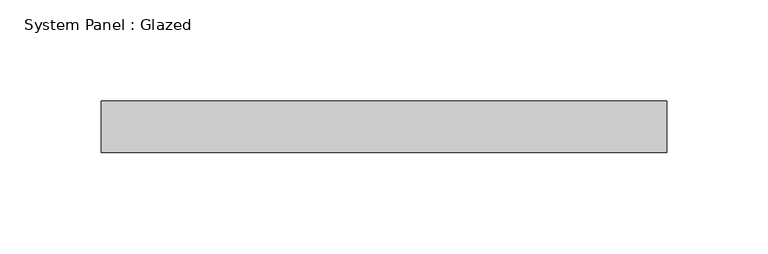
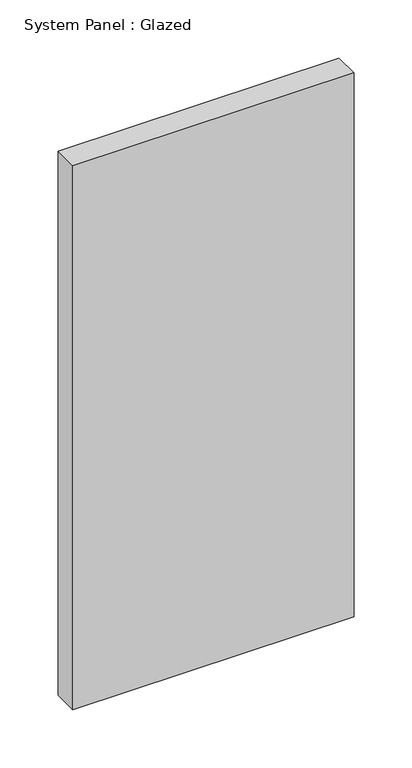
"""IFC4 building model written with IfcOpenShell, lengths in millimetres: plate geometry, System Panel : Glazed."""

from ifc_helpers import new_model, si_unit, origin, origin_with_axes, place, context, project, spatial, polyline, outline, extrude, source, transform, mapped, element, save


def system_panel_glazed_3a657ec6(model_context):
    return source(origin(), model_context, "Body", "SweptSolid", [
        extrude(outline(polyline([(139.7, -44.45), (-139.7, -44.45), (-139.7, -19.05), (139.7, -19.05), (139.7, -44.45)])), origin_with_axes(), (0.0, 0.0, 1.0), 571.5),
    ])


if __name__ == "__main__":
    model = new_model("IFC4")
    model_context = context("Model", 3, world=origin())
    ifc_project = project(units=[si_unit("LENGTHUNIT", "METRE", prefix="MILLI")], contexts=[model_context])
    site = spatial("IfcSite", under=ifc_project)
    building = spatial("IfcBuilding", under=site)
    placement = place(None, origin())
    system_panel_glazed_shape = system_panel_glazed_3a657ec6(model_context)
    element("IfcPlate", 1, ObjectType="System Panel : Glazed", at=placement, inside=building, context=model_context, shape_type="MappedRepresentation", body=[
        mapped(system_panel_glazed_shape, transform((0.0, 0.0, 0.0), x_axis=(1.0, 0.0, 0.0), y_axis=(0.0, 1.0, 0.0), z_axis=(0.0, 0.0, 1.0))),
    ])
    save(model, "model.ifc")
